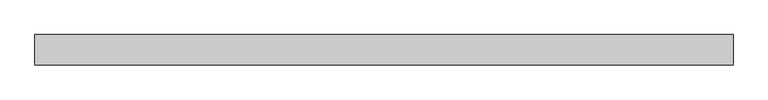
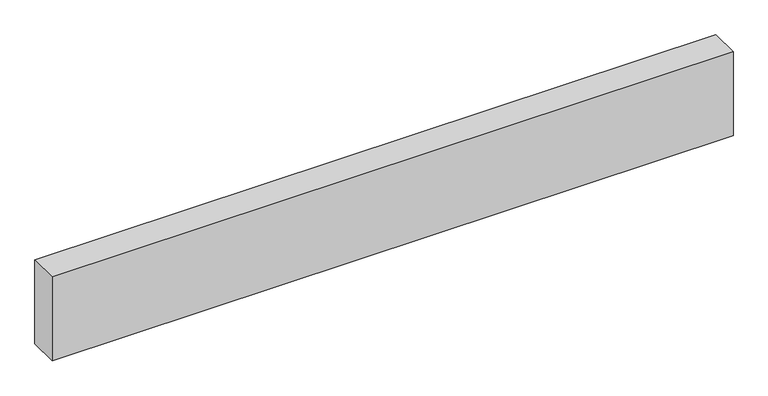
"""IFC4 building model written with IfcOpenShell, lengths in millimetres: proxy geometry."""

from ifc_helpers import new_model, si_unit, origin, origin_with_axes, place, context, project, spatial, polyline, outline, extrude, source, transform, mapped, element, save


def generic_models_66238f93(model_context):
    return source(origin(), model_context, "Body", "SweptSolid", [
        extrude(outline(polyline([(2299.9814989, 0.0), (2299.9814989, -100.0), (0.0, -100.0), (0.0, 0.0), (2299.9814989, 0.0)])), origin_with_axes(), (0.0, 0.0, 1.0), 300.0),
    ])


if __name__ == "__main__":
    model = new_model("IFC4")
    model_context = context("Model", 3, world=origin())
    ifc_project = project(units=[si_unit("LENGTHUNIT", "METRE", prefix="MILLI")], contexts=[model_context])
    site = spatial("IfcSite", under=ifc_project)
    building = spatial("IfcBuilding", under=site)
    placement = place(None, origin())
    generic_models_shape = generic_models_66238f93(model_context)
    element("IfcBuildingElementProxy", 1, Name="Generic Models", at=placement, inside=building, context=model_context, shape_type="MappedRepresentation", body=[
        mapped(generic_models_shape, transform((0.0, 0.0, 0.0), x_axis=(1.0, 0.0, 0.0), y_axis=(0.0, 1.0, 0.0), z_axis=(0.0, 0.0, 1.0))),
    ])
    save(model, "model.ifc")
